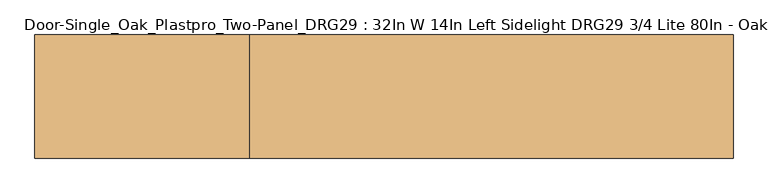
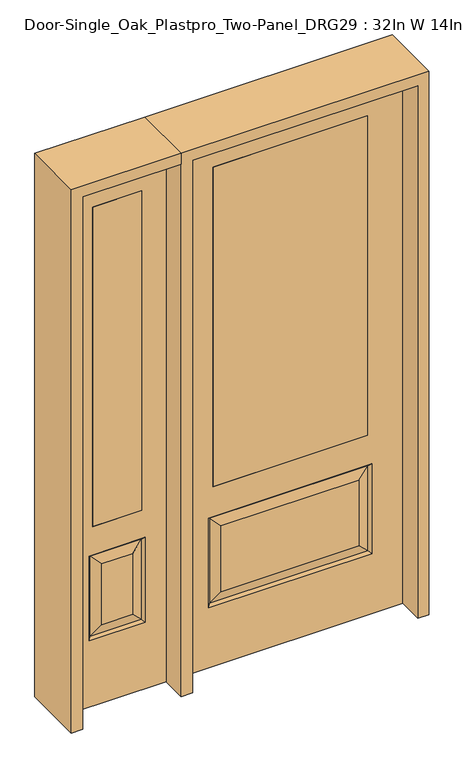
"""IFC4 building model written with IfcOpenShell, lengths in millimetres: door geometry, Door-Single_Oak_Plastpro_Two-Panel_DRG29 : 32In W 14In Left Sidelight DRG29 3/4 Lite 80In - Oak."""

from ifc_helpers import new_model, si_unit, frame, origin, place, context, project, spatial, polyline, outline, extrude, faceted_brep, source, transform, mapped, element, save


def door_single_oak_plastpro_two_panel_drg29_32in_w_14in_left_d441e3d0(model_context):
    return source(origin(), model_context, "Body", "SolidModel", [
        extrude(outline(polyline([(-279.4, -20.6375), (-279.4, 20.6375), (279.4, 20.6375), (279.4, -20.6375), (-279.4, -20.6375)])), frame((0.0, 0.0, 685.8), z_axis=(0.0, 0.0, 1.0), x_axis=(1.0, 0.0, 0.0)), (0.0, 0.0, 1.0), 1219.2),
        faceted_brep([(-249.1224548, -20.6375, 274.7525452), (249.1224548, -20.6375, 274.7525452), (249.1224548, -20.6375, 525.3474548), (-249.1224548, -20.6375, 525.3474548), (406.4, -20.6375, 2032.0), (-406.4, -20.6375, 2032.0), (-406.4, -20.6375, 0.0), (406.4, -20.6375, 0.0), (295.1599548, -20.6375, 228.7150452), (-295.1599548, -20.6375, 228.7150452), (-295.1599548, -20.6375, 571.3849548), (295.1599548, -20.6375, 571.3849548), (-279.4, -20.6375, 1905.0), (279.4, -20.6375, 1905.0), (279.4, -20.6375, 685.8), (-279.4, -20.6375, 685.8), (-279.4, 20.6375, 1905.0), (-279.4, 20.6375, 685.8), (279.4, 20.6375, 685.8), (249.1224548, 20.6375, 274.7525452), (-249.1224548, 20.6375, 274.7525452), (-249.1224548, 20.6375, 525.3474548), (249.1224548, 20.6375, 525.3474548), (-406.4, 20.6375, 2032.0), (406.4, 20.6375, 2032.0), (406.4, 20.6375, 0.0), (-406.4, 20.6375, 0.0), (-295.1599548, 20.6375, 228.7150452), (295.1599548, 20.6375, 228.7150452), (295.1599548, 20.6375, 571.3849548), (-295.1599548, 20.6375, 571.3849548), (279.4, 20.6375, 1905.0), (286.1796986, -11.6572439, 237.6953014), (-286.1796986, -11.6572439, 237.6953014), (-286.1796986, -11.6572439, 562.4046986), (286.1796986, -11.6572439, 562.4046986), (286.1796986, 11.6572439, 237.6953014), (-286.1796986, 11.6572439, 237.6953014), (-286.1796986, 11.6572439, 562.4046986), (286.1796986, 11.6572439, 562.4046986)], [[[0, 1, 2, 3]], [[4, 5, 6, 7], [8, 9, 10, 11], [12, 13, 14, 15]], [[16, 12, 15, 17]], [[17, 15, 14, 18]], [[19, 20, 21, 22]], [[23, 24, 25, 26], [27, 28, 29, 30], [31, 16, 17, 18]], [[13, 31, 18, 14]], [[6, 26, 25, 7]], [[5, 23, 26, 6]], [[24, 4, 7, 25]], [[32, 33, 9, 8]], [[9, 33, 34, 10]], [[10, 34, 35, 11]], [[32, 8, 11, 35]], [[33, 32, 1, 0]], [[1, 32, 35, 2]], [[34, 3, 2, 35]], [[33, 0, 3, 34]], [[36, 37, 20, 19]], [[20, 37, 38, 21]], [[21, 38, 39, 22]], [[36, 19, 22, 39]], [[37, 36, 28, 27]], [[28, 36, 39, 29]], [[38, 30, 29, 39]], [[37, 27, 30, 38]], [[12, 16, 31, 13]], [[5, 4, 24, 23]]]),
        extrude(outline(polyline([(-714.375, -20.6375), (-714.375, 20.6375), (-536.575, 20.6375), (-536.575, -20.6375), (-714.375, -20.6375)])), frame((0.0, 0.0, 685.8), z_axis=(0.0, 0.0, 1.0), x_axis=(1.0, 0.0, 0.0)), (0.0, 0.0, 1.0), 1219.2),
        faceted_brep([(-714.375, -20.6375, 1905.0), (-714.375, 20.6375, 1905.0), (-536.575, 20.6375, 1905.0), (-536.575, -20.6375, 1905.0), (-680.9224548, -20.6375, 531.6974548), (-680.9224548, -20.6375, 300.1525452), (-570.0275452, -20.6375, 300.1525452), (-570.0275452, -20.6375, 531.6974548), (-447.675, -20.6375, 2032.0), (-803.275, -20.6375, 2032.0), (-803.275, -20.6375, 0.0), (-447.675, -20.6375, 0.0), (-726.9599548, -20.6375, 254.1150452), (-726.9599548, -20.6375, 577.7349548), (-523.9900452, -20.6375, 577.7349548), (-523.9900452, -20.6375, 254.1150452), (-536.575, -20.6375, 685.8), (-714.375, -20.6375, 685.8), (-717.9796986, 11.6572439, 568.7546986), (-717.9796986, 11.6572439, 263.0953014), (-726.9599548, 20.6375, 254.1150452), (-726.9599548, 20.6375, 577.7349548), (-523.9900452, 20.6375, 577.7349548), (-532.9703014, 11.6572439, 568.7546986), (-680.9224548, 20.6375, 531.6974548), (-680.9224548, 20.6375, 300.1525452), (-714.375, 20.6375, 685.8), (-536.575, 20.6375, 685.8), (-717.9796986, -11.6572439, 263.0953014), (-532.9703014, -11.6572439, 263.0953014), (-532.9703014, -11.6572439, 568.7546986), (-717.9796986, -11.6572439, 568.7546986), (-447.675, 20.6375, 2032.0), (-803.275, 20.6375, 2032.0), (-447.675, 20.6375, 0.0), (-803.275, 20.6375, 0.0), (-523.9900452, 20.6375, 254.1150452), (-570.0275452, 20.6375, 531.6974548), (-570.0275452, 20.6375, 300.1525452), (-532.9703014, 11.6572439, 263.0953014)], [[[0, 1, 2, 3]], [[4, 5, 6, 7]], [[8, 9, 10, 11], [12, 13, 14, 15], [0, 3, 16, 17]], [[18, 19, 20, 21]], [[18, 21, 22, 23]], [[19, 18, 24, 25]], [[26, 17, 16, 27]], [[5, 28, 29, 6]], [[6, 29, 30, 7]], [[28, 31, 13, 12]], [[32, 33, 9, 8]], [[34, 11, 10, 35]], [[32, 8, 11, 34]], [[9, 33, 35, 10]], [[33, 32, 34, 35], [21, 20, 36, 22], [2, 1, 26, 27]], [[25, 24, 37, 38]], [[20, 19, 39, 36]], [[36, 39, 23, 22]], [[24, 18, 23, 37]], [[39, 38, 37, 23]], [[19, 25, 38, 39]], [[1, 0, 17, 26]], [[3, 2, 27, 16]], [[31, 28, 5, 4]], [[31, 4, 7, 30]], [[13, 31, 30, 14]], [[29, 15, 14, 30]], [[28, 12, 15, 29]]]),
        extrude(outline(polyline([(2032.0, -447.675), (2073.275, -447.675), (2073.275, -844.55), (0.0, -844.55), (0.0, -803.275), (2032.0, -803.275), (2032.0, -447.675)])), frame((0.0, -114.3, 0.0), z_axis=(0.0, 1.0, 0.0), x_axis=(0.0, 0.0, 1.0)), (0.0, 0.0, 1.0), 228.6),
        extrude(outline(polyline([(2073.275, -447.675), (0.0, -447.675), (0.0, -406.4), (2032.0, -406.4), (2032.0, 406.4), (0.0, 406.4), (0.0, 447.675), (2073.275, 447.675), (2073.275, -447.675)])), frame((0.0, -114.3, 0.0), z_axis=(0.0, 1.0, 0.0), x_axis=(0.0, 0.0, 1.0)), (0.0, 0.0, 1.0), 228.6),
    ])


if __name__ == "__main__":
    model = new_model("IFC4")
    model_context = context("Model", 3, world=origin())
    ifc_project = project(units=[si_unit("LENGTHUNIT", "METRE", prefix="MILLI")], contexts=[model_context])
    site = spatial("IfcSite", under=ifc_project)
    building = spatial("IfcBuilding", under=site)
    placement = place(None, origin())
    door_single_oak_plastpro_two_panel_drg29_32in_w_14in_left_shape = door_single_oak_plastpro_two_panel_drg29_32in_w_14in_left_d441e3d0(model_context)
    element("IfcDoor", 1, ObjectType="Door-Single_Oak_Plastpro_Two-Panel_DRG29 : 32In W 14In Left Sidelight DRG29 3/4 Lite 80In - Oak", at=placement, inside=building, context=model_context, shape_type="MappedRepresentation", body=[
        mapped(door_single_oak_plastpro_two_panel_drg29_32in_w_14in_left_shape, transform((0.0, 0.0, 0.0), x_axis=(1.0, 0.0, 0.0), y_axis=(0.0, 1.0, 0.0), z_axis=(0.0, 0.0, 1.0))),
    ])
    save(model, "model.ifc")
